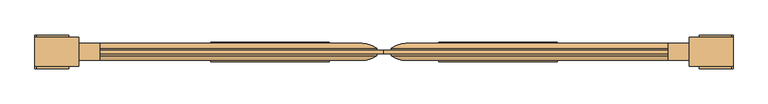
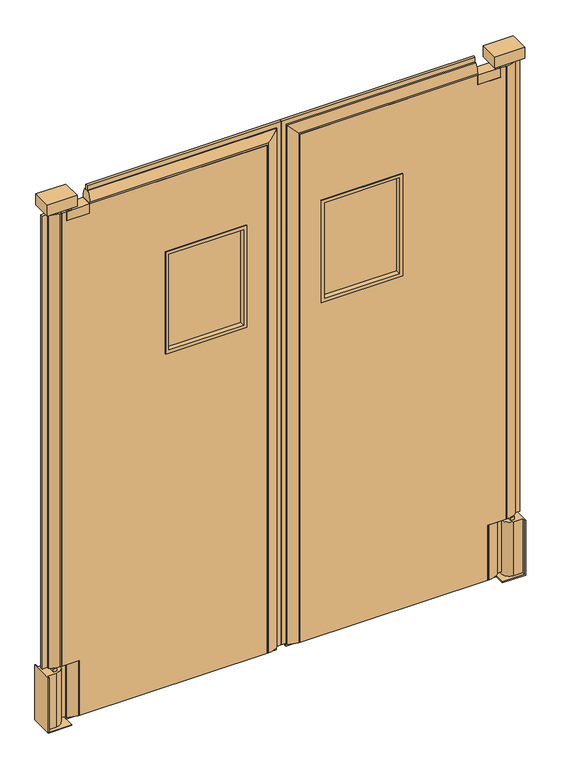
"""IFC4 building model written with IfcOpenShell, lengths in millimetres: door geometry."""

import ifcopenshell
import ifcopenshell.guid

model = None  # the IFC model being written
_history = None  # IfcOwnerHistory: only IFC2X3 demands one
_inside = {}  # id of a spatial element -> (the spatial element, [elements in it])
_under = {}  # id of a project, library or spatial element -> (it, [spatial elements below it])
_declared = {}  # id of a project -> (the project, [libraries it declares])
_typed = {}  # id of a type object -> (the type object, [elements of that type])
_made_of = {}  # id of a material, layer set ... -> (it, [elements and type objects made of it])


def new_model(schema):
    """Start an empty IFC model of exactly this schema.

    Asked for "IFC4X3", IfcOpenShell would pick the latest addendum, in which some entities
    have other attributes; the version numbers below select the first issue.
    IFC2X3 requires an IfcOwnerHistory on every rooted entity: one is made here for all.
    """
    global model, _history
    if schema == "IFC4X3":
        model = ifcopenshell.file(schema_version=(4, 3, 0, 0))
    else:
        model = ifcopenshell.file(schema=schema)
    _inside.clear()
    _under.clear()
    _declared.clear()
    _typed.clear()
    _made_of.clear()
    _history = None
    if model.schema == "IFC2X3":
        org = make("IfcOrganization", Name="unknown")
        user = make(
            "IfcPersonAndOrganization",
            ThePerson=make("IfcPerson", FamilyName="unknown"),
            TheOrganization=org,
        )
        app = make(
            "IfcApplication",
            ApplicationDeveloper=org,
            Version="unknown",
            ApplicationFullName="unknown",
            ApplicationIdentifier="unknown",
        )
        _history = make(
            "IfcOwnerHistory",
            OwningUser=user,
            OwningApplication=app,
            ChangeAction="ADDED",
            CreationDate=0,
        )
    return model


def make(cls, **values):
    """One entity of the class cls with the attributes given. An attribute that is None is left unset."""
    return model.create_entity(
        cls, **{name: value for name, value in values.items() if value is not None}
    )


def rooted(cls, **values):
    """An entity with a GlobalId (a new one), such as an element, a storey or a relation."""
    return make(cls, GlobalId=ifcopenshell.guid.new(), OwnerHistory=_history, **values)


def si_unit(unit_type, name, prefix=None):
    """IfcSIUnit, for example si_unit("LENGTHUNIT", "METRE", prefix="MILLI")."""
    return make("IfcSIUnit", UnitType=unit_type, Prefix=prefix, Name=name)


def assignment(units):
    """IfcUnitAssignment: the units of a project."""
    return None if units is None else make("IfcUnitAssignment", Units=units)


def point(xyz):
    """IfcCartesianPoint."""
    return None if xyz is None else make("IfcCartesianPoint", Coordinates=xyz)


def direction(xyz):
    """IfcDirection."""
    return None if xyz is None else make("IfcDirection", DirectionRatios=xyz)


def frame(location, z_axis=None, x_axis=None):
    """IfcAxis2Placement3D, a coordinate frame: its origin and axes. An axis left out is left unset."""
    return make(
        "IfcAxis2Placement3D",
        Location=point(location),
        Axis=direction(z_axis),
        RefDirection=direction(x_axis),
    )


def frame_2d(location, x_axis=None):
    """IfcAxis2Placement2D, a coordinate frame in the plane: its origin and x axis."""
    return make(
        "IfcAxis2Placement2D", Location=point(location), RefDirection=direction(x_axis)
    )


def origin():
    """The frame at (0, 0, 0) with its axes left unset."""
    return frame((0.0, 0.0, 0.0))


def origin_with_axes():
    """The frame at (0, 0, 0) with the z axis (0, 0, 1) and the x axis (1, 0, 0) written out."""
    return frame((0.0, 0.0, 0.0), z_axis=(0.0, 0.0, 1.0), x_axis=(1.0, 0.0, 0.0))


def place(relative_to, where):
    """IfcLocalPlacement: puts the frame where relative to a parent placement (None: the world)."""
    return make(
        "IfcLocalPlacement", PlacementRelTo=relative_to, RelativePlacement=where
    )


def context(
    kind, dimensions, precision=None, world=None, true_north=None, identifier=None
):
    """IfcGeometricRepresentationContext, for example the 3D "Model" context."""
    return make(
        "IfcGeometricRepresentationContext",
        ContextIdentifier=identifier,
        ContextType=kind,
        CoordinateSpaceDimension=dimensions,
        Precision=precision,
        WorldCoordinateSystem=world,
        TrueNorth=true_north,
    )


def project(units=None, contexts=None):
    """IfcProject with its units and contexts."""
    return rooted(
        "IfcProject",
        Name="project",
        RepresentationContexts=contexts,
        UnitsInContext=assignment(units),
    )


def spatial(cls, under=None, at=None, **own):
    """A site, building, storey or space (cls), placed at a placement, below another one or the project."""
    s = rooted(cls, ObjectPlacement=at, **own)
    if under is not None:
        _under.setdefault(under.id(), (under, []))[1].append(s)
    return s


def polyline(points):
    """IfcPolyline through the points."""
    return make("IfcPolyline", Points=[point(p) for p in points])


def circle_curve(where, radius):
    """IfcCircle in the frame where."""
    return make("IfcCircle", Position=where, Radius=radius)


def ellipse_curve(where, semi_axis1, semi_axis2):
    """IfcEllipse in the frame where."""
    return make(
        "IfcEllipse", Position=where, SemiAxis1=semi_axis1, SemiAxis2=semi_axis2
    )


def trimmed(basis, trim1, trim2, sense, master):
    """IfcTrimmedCurve: the piece of a basis curve between two trims."""
    return make(
        "IfcTrimmedCurve",
        BasisCurve=basis,
        Trim1=trim1,
        Trim2=trim2,
        SenseAgreement=sense,
        MasterRepresentation=master,
    )


def segment(curve, same_sense, transition):
    """IfcCompositeCurveSegment."""
    return make(
        "IfcCompositeCurveSegment",
        Transition=transition,
        SameSense=same_sense,
        ParentCurve=curve,
    )


def composite_curve(segments, self_intersect=None):
    """IfcCompositeCurve: segments joined end to end."""
    return make("IfcCompositeCurve", Segments=segments, SelfIntersect=self_intersect)


def outline(outer, holes=None, kind="AREA"):
    """IfcArbitraryClosedProfileDef: a profile drawn as a closed curve; with holes, ...WithVoids."""
    if holes is None:
        return make("IfcArbitraryClosedProfileDef", ProfileType=kind, OuterCurve=outer)
    return make(
        "IfcArbitraryProfileDefWithVoids",
        ProfileType=kind,
        OuterCurve=outer,
        InnerCurves=holes,
    )


def extrude(swept, where, along, depth):
    """IfcExtrudedAreaSolid: the profile swept, set in the frame where, extruded along a direction by depth."""
    return make(
        "IfcExtrudedAreaSolid",
        SweptArea=swept,
        Position=where,
        ExtrudedDirection=direction(along),
        Depth=depth,
    )


def shape(context_of_items, identifier, shape_type, items):
    """IfcShapeRepresentation: the items that make up one representation, for example the "Body"."""
    return make(
        "IfcShapeRepresentation",
        ContextOfItems=context_of_items,
        RepresentationIdentifier=identifier,
        RepresentationType=shape_type,
        Items=items,
    )


def source(mapping_origin, context_of_items, identifier, shape_type, items):
    """IfcRepresentationMap: a shape defined once, which mapped items show again and again."""
    return make(
        "IfcRepresentationMap",
        MappingOrigin=mapping_origin,
        MappedRepresentation=shape(context_of_items, identifier, shape_type, items),
    )


def transform(
    local_origin,
    x_axis=None,
    y_axis=None,
    z_axis=None,
    scale=None,
    scale2=None,
    scale3=None,
    uniform=True,
):
    """IfcCartesianTransformationOperator3D, or its non-uniform kind. x_axis, y_axis, z_axis: its Axis1, 2, 3."""
    if uniform:
        return make(
            "IfcCartesianTransformationOperator3D",
            Axis1=direction(x_axis),
            Axis2=direction(y_axis),
            LocalOrigin=point(local_origin),
            Scale=scale,
            Axis3=direction(z_axis),
        )
    return make(
        "IfcCartesianTransformationOperator3DnonUniform",
        Axis1=direction(x_axis),
        Axis2=direction(y_axis),
        LocalOrigin=point(local_origin),
        Scale=scale,
        Axis3=direction(z_axis),
        Scale2=scale2,
        Scale3=scale3,
    )


def mapped(mapping_source, mapping_target):
    """IfcMappedItem: shows the shape of a source again, moved by a transform."""
    return make(
        "IfcMappedItem", MappingSource=mapping_source, MappingTarget=mapping_target
    )


def made_of(thing, what):
    """Note that an element or type object is made of a material, layer set ...; save() writes the relation."""
    if what is not None:
        _made_of.setdefault(what.id(), (what, []))[1].append(thing)
    return thing


def element(
    cls,
    number,
    at=None,
    inside=None,
    cuts=None,
    type_object=None,
    material=None,
    context=None,
    identifier="Body",
    shape_type=None,
    held_by="IfcProductDefinitionShape",
    body=None,
    shapes=None,
    **own,
):
    """One element of the class cls, such as IfcWall. Its Tag is "e" and its number.

    at: its placement. inside: the storey or other place that contains it. cuts: it is an
    opening in that element (IfcRelVoidsElement). A single representation is given by context,
    identifier, shape_type and body (its items); several are given by shapes. held_by: the class
    of the entity that holds the representations. save() writes the other relations.
    """
    e = rooted(cls, Tag="e%d" % number, ObjectPlacement=at, **own)
    if body is not None:
        shapes = [shape(context, identifier, shape_type, body)]
    if shapes is not None:
        e.Representation = make(held_by, Representations=shapes)
    if inside is not None:
        _inside.setdefault(inside.id(), (inside, []))[1].append(e)
    if cuts is not None:
        rooted(
            "IfcRelVoidsElement", RelatingBuildingElement=cuts, RelatedOpeningElement=e
        )
    if type_object is not None:
        _typed.setdefault(type_object.id(), (type_object, []))[1].append(e)
    return made_of(e, material)


def aggregate(whole, parts):
    """IfcRelAggregates: a whole, such as a stair, and the parts it consists of."""
    return rooted("IfcRelAggregates", RelatingObject=whole, RelatedObjects=parts)


def save(model, path):
    """Write the relations noted so far, then the file.

    IfcRelAggregates (storeys below a building ...), IfcRelContainedInSpatialStructure (elements
    in a storey), IfcRelDefinesByType, IfcRelAssociatesMaterial and IfcRelDeclares: one each for
    every whole, place, type object, material and project.
    """
    for whole, parts in _under.values():
        aggregate(whole, parts)
    for where, things in _inside.values():
        rooted(
            "IfcRelContainedInSpatialStructure",
            RelatedElements=things,
            RelatingStructure=where,
        )
    for kind, things in _typed.values():
        rooted("IfcRelDefinesByType", RelatedObjects=things, RelatingType=kind)
    for what, things in _made_of.values():
        rooted("IfcRelAssociatesMaterial", RelatedObjects=things, RelatingMaterial=what)
    for by, libraries in _declared.values():
        rooted("IfcRelDeclares", RelatingContext=by, RelatedDefinitions=libraries)
    model.write(path)


def plane_surface(at):
    """IfcPlane: the flat surface through the origin of the frame at, square to its z axis."""
    return make("IfcPlane", Position=at)


def cylinder_surface(at, radius):
    """IfcCylindricalSurface: all points at the distance radius from the z axis of the frame at."""
    return make("IfcCylindricalSurface", Position=at, Radius=radius)


def advanced_brep(points, edges, surfaces, faces):
    """IfcAdvancedBrep: a solid bounded by faces that lie on surfaces and meet in shared edges.

    An edge is (start, end): straight between two places in points (the first is 0);
    or (start, end, curve); or (start, end, curve, False) where it runs against its curve.
    A face is (place in surfaces, loops), or (place, loops, False) where it looks against
    its surface's normal. A loop lists edges by number (the first is 1), with a minus sign
    where the edge is run from its end to its start. The first loop is the outer one.
    """
    corners = [point(p) for p in points]
    vertices = [make("IfcVertexPoint", VertexGeometry=c) for c in corners]
    made = []
    for start, end, *more in edges:
        made.append(
            make(
                "IfcEdgeCurve",
                EdgeStart=vertices[start],
                EdgeEnd=vertices[end],
                EdgeGeometry=more[0] if more else make("IfcPolyline", Points=[corners[start], corners[end]]),
                SameSense=more[1] if len(more) > 1 else True,
            )
        )
    hull = []
    for where, loops, *sense in faces:
        bounds = []
        for j, loop in enumerate(loops):
            ring = [make("IfcOrientedEdge", EdgeElement=made[abs(k) - 1], Orientation=k > 0) for k in loop]
            bounds.append(
                make(
                    "IfcFaceOuterBound" if j == 0 else "IfcFaceBound",
                    Bound=make("IfcEdgeLoop", EdgeList=ring),
                    Orientation=True,
                )
            )
        hull.append(make("IfcAdvancedFace", Bounds=bounds, FaceSurface=surfaces[where], SameSense=sense[0] if sense else True))
    return make("IfcAdvancedBrep", Outer=make("IfcClosedShell", CfsFaces=hull))


def door_6563ba51(model_context):
    return source(origin(), model_context, "Body", "SolidModel", [
        extrude(outline(polyline([(1788.4656968, -868.9910438), (1788.4656968, -856.2910438), (2074.2156968, -856.2910438), (2074.2156968, -868.9910438), (1788.4656968, -868.9910438)])), frame((0.0, 0.0, 1374.775), z_axis=(0.0, 0.0, 1.0), x_axis=(1.0, 0.0, 0.0)), (0.0, 0.0, 1.0), 387.35),
        extrude(outline(polyline([(1774.825, 1775.7656968), (1362.075, 1775.7656968), (1362.075, 2086.9156968), (1774.825, 2086.9156968), (1774.825, 1775.7656968)]), holes=[polyline([(1374.775, 1788.4656968), (1762.125, 1788.4656968), (1762.125, 2074.2156968), (1374.775, 2074.2156968), (1374.775, 1788.4656968)])]), frame((0.0, -888.0410438, 0.0), z_axis=(0.0, 1.0, 0.0), x_axis=(0.0, 0.0, 1.0)), (0.0, 0.0, 1.0), 50.8),
        extrude(outline(polyline([(2070.1, 2464.7406968), (2032.0, 2464.7406968), (2032.0, 2375.8406968), (2070.1, 2375.8406968), (2070.1, 1696.3906968), (12.7, 1696.3906968), (12.7, 2413.9406968), (234.95, 2413.9406968), (234.95, 2483.7906968), (2070.1, 2483.7906968), (2070.1, 2464.7406968)]), holes=[polyline([(1765.3, 1785.2906968), (1765.3, 2077.3906968), (1371.6, 2077.3906968), (1371.6, 1785.2906968), (1765.3, 1785.2906968)])]), frame((0.0, -884.8660438, 0.0), z_axis=(0.0, 1.0, 0.0), x_axis=(0.0, 0.0, 1.0)), (0.0, 0.0, 1.0), 44.45),
        extrude(outline(polyline([(2133.6, 2375.8406968), (2133.6, 1632.8906968), (12.7, 1632.8906968), (12.7, 1651.9406968), (2114.55, 1651.9406968), (2114.55, 2375.8406968), (2133.6, 2375.8406968)])), frame((0.0, -867.4035438, 0.0), z_axis=(0.0, 1.0, 0.0), x_axis=(0.0, 0.0, 1.0)), (0.0, 0.0, 1.0), 9.525),
        extrude(outline(polyline([(1651.9406968, -857.8785438), (2458.3906968, -857.8785438), (2458.3906968, -867.4035438), (1651.9406968, -867.4035438), (1651.9406968, -857.8785438)])), origin_with_axes(), (0.0, 0.0, 1.0), 12.7),
        extrude(outline(polyline([(2477.4406968, -857.8785438), (2477.4406968, -867.4035438), (2458.3906968, -867.4035438), (2458.3906968, -857.8785438), (2477.4406968, -857.8785438)])), frame((0.0, 0.0, 12.7), z_axis=(0.0, 0.0, 1.0), x_axis=(1.0, 0.0, 0.0)), (0.0, 0.0, 1.0), 222.25),
        extrude(outline(polyline([(2547.2906968, -857.8785438), (2547.2906968, -867.4035438), (2528.2406968, -867.4035438), (2528.2406968, -857.8785438), (2547.2906968, -857.8785438)])), frame((0.0, 0.0, 234.95), z_axis=(0.0, 0.0, 1.0), x_axis=(1.0, 0.0, 0.0)), (0.0, 0.0, 1.0), 1835.15),
        advanced_brep(
        [(1696.3906968, -884.8660438, 12.7), (1690.0406968, -884.8660438, 12.7), (1651.9406968, -872.1660438, 12.7), (1651.9406968, -853.1160438, 12.7), (1690.0406968, -840.4160438, 12.7), (1696.3906968, -840.4160438, 12.7), (1696.3906968, -840.4160438, 2070.1), (1696.3906968, -884.8660438, 2070.1), (1690.0406968, -840.4160438, 2076.45), (2375.8406968, -840.4160438, 2076.45), (2375.8406968, -840.4160438, 2070.1), (1651.9406968, -853.1160438, 2114.55), (1651.9406968, -872.1660438, 2114.55), (1690.0406968, -884.8660438, 2076.45), (2375.8406968, -884.8660438, 2070.1), (2375.8406968, -884.8660438, 2076.45), (2375.8406968, -853.1160438, 2114.55), (2375.8406968, -872.1660438, 2114.55)],
        [
            (0, 1),
            (1, 2, circle_curve(frame((1690.0406968, -821.3660439, 12.7), z_axis=(0.0, 0.0, -1.0), x_axis=(1.0, 0.0, 0.0)), 63.5)),
            (2, 3),
            (3, 4, circle_curve(frame((1690.0406968, -903.9160438, 12.7), z_axis=(0.0, 0.0, -1.0), x_axis=(1.0, 0.0, 0.0)), 63.5)),
            (4, 5),
            (5, 0),
            (5, 6),
            (6, 7),
            (7, 0),
            (4, 8),
            (8, 9),
            (9, 10),
            (10, 6),
            (3, 11),
            (11, 8, ellipse_curve(frame((1690.0406968, -903.9160438, 2076.45), z_axis=(-0.7071067811865475, 0.0, -0.7071067811865475), x_axis=(0.7071067811865474, 0.0, -0.7071067811865476)), 89.8025612, 63.5)),
            (2, 12),
            (12, 11),
            (1, 13),
            (13, 12, ellipse_curve(frame((1690.0406968, -821.3660439, 2076.45), z_axis=(-0.7071067811865475, 0.0, -0.7071067811865475), x_axis=(0.7071067811865474, 0.0, -0.7071067811865476)), 89.8025612, 63.5)),
            (7, 14),
            (14, 15),
            (15, 13),
            (14, 10),
            (9, 16, circle_curve(frame((2375.8406968, -903.9160438, 2076.45), z_axis=(1.0, 0.0, 0.0), x_axis=(0.0, 0.0, -1.0)), 63.5)),
            (16, 17),
            (17, 15, circle_curve(frame((2375.8406968, -821.3660439, 2076.45), z_axis=(1.0, 0.0, 0.0), x_axis=(0.0, 0.0, -1.0)), 63.5)),
            (11, 16),
            (12, 17),
        ],
        [
            plane_surface(frame((1696.3906968, -862.6410438, 12.7), z_axis=(0.0, 0.0, -1.0), x_axis=(0.0, -1.0, 0.0))),
            plane_surface(frame((1696.3906968, -884.8660438, 12.7), z_axis=(1.0, 0.0, 0.0), x_axis=(0.0, 0.0, 1.0))),
            plane_surface(frame((1696.3906968, -840.4160438, 12.7), z_axis=(0.0, 1.0, 0.0), x_axis=(0.0, 0.0, 1.0))),
            cylinder_surface(frame((1690.0406968, -903.9160438, 12.7), z_axis=(0.0, 0.0, -1.0), x_axis=(1.0, 0.0, 0.0)), 63.5),
            plane_surface(frame((1651.9406968, -853.1160438, 12.7), z_axis=(-1.0, 0.0, 0.0), x_axis=(0.0, 0.0, 1.0))),
            cylinder_surface(frame((1690.0406968, -821.3660439, 12.7), z_axis=(0.0, 0.0, -1.0), x_axis=(1.0, 0.0, 0.0)), 63.5),
            plane_surface(frame((1690.0406968, -884.8660438, 12.7), z_axis=(0.0, -1.0, 0.0), x_axis=(0.0, 0.0, 1.0))),
            plane_surface(frame((2375.8406968, -862.6410438, 2070.1), z_axis=(1.0, 0.0, 0.0), x_axis=(0.0, -1.0, 0.0))),
            plane_surface(frame((1696.3906968, -884.8660438, 2070.1), z_axis=(0.0, 0.0, -1.0), x_axis=(1.0, 0.0, 0.0))),
            cylinder_surface(frame((1696.3906968, -903.9160438, 2076.45), z_axis=(-1.0, 0.0, 0.0), x_axis=(0.0, 0.0, -1.0)), 63.5),
            plane_surface(frame((1651.9406968, -853.1160438, 2114.55), z_axis=(0.0, 0.0, 1.0), x_axis=(1.0, 0.0, 0.0))),
            cylinder_surface(frame((1696.3906968, -821.3660439, 2076.45), z_axis=(-1.0, 0.0, 0.0), x_axis=(0.0, 0.0, -1.0)), 63.5),
        ],
        [
            (0, [[1, 2, 3, 4, 5, 6]]),
            (1, [[7, 8, 9, -6]]),
            (2, [[10, 11, 12, 13, -7, -5]]),
            (3, [[14, 15, -10, -4]]),
            (4, [[16, 17, -14, -3]]),
            (5, [[18, 19, -16, -2]]),
            (6, [[-9, 20, 21, 22, -18, -1]]),
            (7, [[23, -12, 24, 25, 26, -21]]),
            (8, [[-13, -23, -20, -8]]),
            (9, [[27, -24, -11, -15]]),
            (10, [[28, -25, -27, -17]]),
            (11, [[-22, -26, -28, -19]]),
        ],
    ),
        extrude(outline(composite_curve([segment(polyline([(2458.3906968, -853.1160438), (2458.3906968, -872.1660438)]), True, "CONTINUOUS"), segment(trimmed(circle_curve(frame_2d((2420.2906968, -821.3660439)), 63.5), [point((2458.3906968, -872.1660438))], [point((2420.2906968, -884.8660438))], False, "CARTESIAN"), True, "CONTINUOUS"), segment(polyline([(2420.2906968, -884.8660438), (2413.9406968, -884.8660438), (2413.9406968, -840.4160438), (2420.2906968, -840.4160438)]), True, "CONTINUOUS"), segment(trimmed(circle_curve(frame_2d((2420.2906968, -903.9160438)), 63.5), [point((2420.2906968, -840.4160438))], [point((2458.3906968, -853.1160438))], False, "CARTESIAN"), True, "CONTINUOUS")], self_intersect=False)), frame((0.0, 0.0, 12.7), z_axis=(0.0, 0.0, 1.0), x_axis=(1.0, 0.0, 0.0)), (0.0, 0.0, 1.0), 222.25),
        extrude(outline(composite_curve([segment(polyline([(2528.2406968, -853.1160438), (2528.2406968, -872.1660438)]), True, "CONTINUOUS"), segment(trimmed(circle_curve(frame_2d((2490.1406968, -821.3660439)), 63.5), [point((2528.2406968, -872.1660438))], [point((2490.1406968, -884.8660438))], False, "CARTESIAN"), True, "CONTINUOUS"), segment(polyline([(2490.1406968, -884.8660438), (2483.7906968, -884.8660438), (2483.7906968, -840.4160438), (2490.1406968, -840.4160438)]), True, "CONTINUOUS"), segment(trimmed(circle_curve(frame_2d((2490.1406968, -903.9160438)), 63.5), [point((2490.1406968, -840.4160438))], [point((2528.2406968, -853.1160438))], False, "CARTESIAN"), True, "CONTINUOUS")], self_intersect=False)), frame((0.0, 0.0, 234.95), z_axis=(0.0, 0.0, 1.0), x_axis=(1.0, 0.0, 0.0)), (0.0, 0.0, 1.0), 1835.15),
        extrude(outline(polyline([(2445.6906968, -884.8660438), (2445.6906968, -840.4160438), (2458.3906968, -840.4160438), (2458.3906968, -884.8660438), (2445.6906968, -884.8660438)])), frame((0.0, 0.0, 2070.1), z_axis=(0.0, 0.0, 1.0), x_axis=(1.0, 0.0, 0.0)), (0.0, 0.0, 1.0), 19.05),
        extrude(outline(polyline([(2502.8406968, -884.8660438), (2502.8406968, -840.4160438), (2515.5406968, -840.4160438), (2515.5406968, -884.8660438), (2502.8406968, -884.8660438)])), frame((0.0, 0.0, 222.25), z_axis=(0.0, 0.0, 1.0), x_axis=(1.0, 0.0, 0.0)), (0.0, 0.0, 1.0), 12.7),
        extrude(outline(polyline([(2375.8406968, -884.8660438), (2375.8406968, -840.4160438), (2464.7406968, -840.4160438), (2464.7406968, -884.8660438), (2375.8406968, -884.8660438)])), frame((0.0, 0.0, 2032.0), z_axis=(0.0, 0.0, 1.0), x_axis=(1.0, 0.0, 0.0)), (0.0, 0.0, 1.0), 38.1),
        extrude(outline(polyline([(2432.9906968, -900.7410438), (2432.9906968, -824.5410438), (2547.2906968, -824.5410438), (2547.2906968, -900.7410438), (2432.9906968, -900.7410438)])), frame((0.0, 0.0, 2089.15), z_axis=(0.0, 0.0, 1.0), x_axis=(1.0, 0.0, 0.0)), (0.0, 0.0, 1.0), 44.45),
        advanced_brep(
        [(2458.3906968, -907.0910438, 0.0), (2547.2906968, -907.0910438, 0.0), (2547.2906968, -907.0910438, 222.25), (2544.1156968, -907.0910438, 222.25), (2544.1156968, -907.0910438, 3.175), (2458.3906968, -907.0910438, 3.175), (2547.2906968, -818.1910438, 222.25), (2547.2906968, -818.1910438, 0.0), (2458.3906968, -818.1910438, 0.0), (2458.3906968, -818.1910438, 3.175), (2544.1156968, -818.1910438, 3.175), (2544.1156968, -818.1910438, 222.25), (2544.1156968, -894.3910438, 3.175), (2509.1906968, -894.3910438, 3.175), (2509.1906968, -830.8910438, 3.175), (2544.1156968, -830.8910438, 3.175), (2544.1156968, -830.8910438, 222.25), (2509.1906968, -830.8910438, 222.25), (2509.1906968, -894.3910438, 222.25), (2544.1156968, -894.3910438, 222.25)],
        [
            (0, 1),
            (1, 2),
            (2, 3),
            (3, 4),
            (4, 5),
            (5, 0),
            (6, 7),
            (7, 8),
            (8, 9),
            (9, 10),
            (10, 11),
            (11, 6),
            (5, 9),
            (8, 0),
            (4, 12),
            (12, 13),
            (13, 14, circle_curve(frame((2509.1906968, -862.6410438, 3.175), z_axis=(0.0, 0.0, -1.0), x_axis=(-1.0, 0.0, 0.0)), 31.75)),
            (14, 15),
            (15, 10),
            (1, 7),
            (6, 2),
            (11, 16),
            (16, 17),
            (17, 18, circle_curve(frame((2509.1906968, -862.6410438, 222.25), z_axis=(0.0, 0.0, 1.0), x_axis=(-1.0, 0.0, 0.0)), 31.75)),
            (18, 19),
            (19, 3),
            (19, 12),
            (18, 13),
            (17, 14),
            (16, 15),
        ],
        [
            plane_surface(frame((2458.3906968, -907.0910438, 0.0), z_axis=(0.0, -1.0, 0.0), x_axis=(0.0, 0.0, 1.0))),
            plane_surface(frame((2458.3906968, -818.1910438, 0.0), z_axis=(0.0, 1.0, 0.0), x_axis=(0.0, 0.0, -1.0))),
            plane_surface(frame((2458.3906968, -907.0910438, 0.0), z_axis=(-1.0, 0.0, 0.0), x_axis=(0.0, 1.0, 0.0))),
            plane_surface(frame((2458.3906968, -907.0910438, 3.175), z_axis=(0.0, 0.0, 1.0), x_axis=(0.0, 1.0, 0.0))),
            plane_surface(frame((2547.2906968, -907.0910438, 3.175), z_axis=(1.0, 0.0, 0.0), x_axis=(0.0, 1.0, 0.0))),
            plane_surface(frame((2547.2906968, -907.0910438, 0.0), z_axis=(0.0, 0.0, -1.0), x_axis=(0.0, 1.0, 0.0))),
            plane_surface(frame((2547.2906968, -818.1910438, 222.25), z_axis=(0.0, 0.0, 1.0), x_axis=(1.0, 0.0, 0.0))),
            plane_surface(frame((2544.1156968, -907.0910438, 222.25), z_axis=(-1.0, 0.0, 0.0), x_axis=(0.0, 0.0, -1.0))),
            plane_surface(frame((2544.1156968, -894.3910438, 222.25), z_axis=(0.0, -1.0, 0.0), x_axis=(0.0, 0.0, -1.0))),
            cylinder_surface(frame((2509.1906968, -862.6410438, 0.0), z_axis=(0.0, 0.0, 1.0), x_axis=(-1.0, 0.0, 0.0)), 31.75),
            plane_surface(frame((2509.1906968, -830.8910438, 222.25), z_axis=(0.0, 1.0, 0.0), x_axis=(0.0, 0.0, -1.0))),
            plane_surface(frame((2544.1156968, -830.8910438, 222.25), z_axis=(-1.0, 0.0, 0.0), x_axis=(0.0, 0.0, -1.0))),
        ],
        [
            (0, [[1, 2, 3, 4, 5, 6]]),
            (1, [[7, 8, 9, 10, 11, 12]]),
            (2, [[13, -9, 14, -6]]),
            (3, [[-5, 15, 16, 17, 18, 19, -10, -13]]),
            (4, [[20, -7, 21, -2]]),
            (5, [[-20, -1, -14, -8]]),
            (6, [[22, 23, 24, 25, 26, -3, -21, -12]]),
            (7, [[27, -15, -4, -26]]),
            (8, [[28, -16, -27, -25]]),
            (9, [[29, -17, -28, -24]]),
            (10, [[30, -18, -29, -23]]),
            (11, [[-11, -19, -30, -22]]),
        ],
    ),
        extrude(outline(polyline([(1477.3156968, -868.9910438), (1191.5656968, -868.9910438), (1191.5656968, -856.2910438), (1477.3156968, -856.2910438), (1477.3156968, -868.9910438)])), frame((0.0, 0.0, 1374.775), z_axis=(0.0, 0.0, 1.0), x_axis=(1.0, 0.0, 0.0)), (0.0, 0.0, 1.0), 387.35),
        extrude(outline(polyline([(1774.825, 1490.0156968), (1774.825, 1178.8656968), (1362.075, 1178.8656968), (1362.075, 1490.0156968), (1774.825, 1490.0156968)]), holes=[polyline([(1374.775, 1477.3156968), (1374.775, 1191.5656968), (1762.125, 1191.5656968), (1762.125, 1477.3156968), (1374.775, 1477.3156968)])]), frame((0.0, -888.0410438, 0.0), z_axis=(0.0, 1.0, 0.0), x_axis=(0.0, 0.0, 1.0)), (0.0, 0.0, 1.0), 50.8),
        extrude(outline(polyline([(2070.1, 801.0406968), (2070.1, 781.9906968), (234.95, 781.9906968), (234.95, 851.8406968), (12.7, 851.8406968), (12.7, 1569.3906968), (2070.1, 1569.3906968), (2070.1, 889.9406968), (2032.0, 889.9406968), (2032.0, 801.0406968), (2070.1, 801.0406968)]), holes=[polyline([(1765.3, 1480.4906968), (1371.6, 1480.4906968), (1371.6, 1188.3906968), (1765.3, 1188.3906968), (1765.3, 1480.4906968)])]), frame((0.0, -884.8660438, 0.0), z_axis=(0.0, 1.0, 0.0), x_axis=(0.0, 0.0, 1.0)), (0.0, 0.0, 1.0), 44.45),
        extrude(outline(polyline([(2133.6, 889.9406968), (2114.55, 889.9406968), (2114.55, 1613.8406968), (12.7, 1613.8406968), (12.7, 1632.8906968), (2133.6, 1632.8906968), (2133.6, 889.9406968)])), frame((0.0, -867.4035438, 0.0), z_axis=(0.0, 1.0, 0.0), x_axis=(0.0, 0.0, 1.0)), (0.0, 0.0, 1.0), 9.525),
        extrude(outline(polyline([(1613.8406968, -857.8785438), (1613.8406968, -867.4035438), (807.3906968, -867.4035438), (807.3906968, -857.8785438), (1613.8406968, -857.8785438)])), origin_with_axes(), (0.0, 0.0, 1.0), 12.7),
        extrude(outline(polyline([(788.3406968, -857.8785438), (807.3906968, -857.8785438), (807.3906968, -867.4035438), (788.3406968, -867.4035438), (788.3406968, -857.8785438)])), frame((0.0, 0.0, 12.7), z_axis=(0.0, 0.0, 1.0), x_axis=(1.0, 0.0, 0.0)), (0.0, 0.0, 1.0), 222.25),
        extrude(outline(polyline([(718.4906968, -857.8785438), (737.5406968, -857.8785438), (737.5406968, -867.4035438), (718.4906968, -867.4035438), (718.4906968, -857.8785438)])), frame((0.0, 0.0, 234.95), z_axis=(0.0, 0.0, 1.0), x_axis=(1.0, 0.0, 0.0)), (0.0, 0.0, 1.0), 1835.15),
        advanced_brep(
        [(1569.3906968, -884.8660438, 12.7), (1569.3906968, -840.4160438, 12.7), (1575.7406968, -840.4160438, 12.7), (1613.8406968, -853.1160438, 12.7), (1613.8406968, -872.1660438, 12.7), (1575.7406968, -884.8660438, 12.7), (1569.3906968, -884.8660438, 2070.1), (1569.3906968, -840.4160438, 2070.1), (889.9406968, -840.4160438, 2070.1), (889.9406968, -840.4160438, 2076.45), (1575.7406968, -840.4160438, 2076.45), (1613.8406968, -853.1160438, 2114.55), (1613.8406968, -872.1660438, 2114.55), (1575.7406968, -884.8660438, 2076.45), (889.9406968, -884.8660438, 2076.45), (889.9406968, -884.8660438, 2070.1), (889.9406968, -872.1660438, 2114.55), (889.9406968, -853.1160438, 2114.55)],
        [
            (0, 1),
            (1, 2),
            (2, 3, circle_curve(frame((1575.7406968, -903.9160438, 12.7), z_axis=(0.0, 0.0, -1.0), x_axis=(-1.0, 0.0, 0.0)), 63.5)),
            (3, 4),
            (4, 5, circle_curve(frame((1575.7406968, -821.3660439, 12.7), z_axis=(0.0, 0.0, -1.0), x_axis=(-1.0, 0.0, 0.0)), 63.5)),
            (5, 0),
            (0, 6),
            (6, 7),
            (7, 1),
            (7, 8),
            (8, 9),
            (9, 10),
            (10, 2),
            (10, 11, ellipse_curve(frame((1575.7406968, -903.9160438, 2076.45), z_axis=(0.7071067811865475, 0.0, -0.7071067811865475), x_axis=(-0.7071067811865474, 0.0, -0.7071067811865476)), 89.8025612, 63.5)),
            (11, 3),
            (11, 12),
            (12, 4),
            (12, 13, ellipse_curve(frame((1575.7406968, -821.3660439, 2076.45), z_axis=(0.7071067811865475, 0.0, -0.7071067811865475), x_axis=(-0.7071067811865474, 0.0, -0.7071067811865476)), 89.8025612, 63.5)),
            (13, 5),
            (13, 14),
            (14, 15),
            (15, 6),
            (14, 16, circle_curve(frame((889.9406968, -821.3660439, 2076.45), z_axis=(-1.0, 0.0, 0.0), x_axis=(0.0, 0.0, -1.0)), 63.5)),
            (16, 17),
            (17, 9, circle_curve(frame((889.9406968, -903.9160438, 2076.45), z_axis=(-1.0, 0.0, 0.0), x_axis=(0.0, 0.0, -1.0)), 63.5)),
            (8, 15),
            (17, 11),
            (16, 12),
        ],
        [
            plane_surface(frame((1569.3906968, -862.6410438, 12.7), z_axis=(0.0, 0.0, -1.0), x_axis=(0.0, -1.0, 0.0))),
            plane_surface(frame((1569.3906968, -884.8660438, 12.7), z_axis=(-1.0, 0.0, 0.0), x_axis=(0.0, 0.0, 1.0))),
            plane_surface(frame((1569.3906968, -840.4160438, 12.7), z_axis=(0.0, 1.0, 0.0), x_axis=(0.0, 0.0, 1.0))),
            cylinder_surface(frame((1575.7406968, -903.9160438, 12.7), z_axis=(0.0, 0.0, -1.0), x_axis=(-1.0, 0.0, 0.0)), 63.5),
            plane_surface(frame((1613.8406968, -853.1160438, 12.7), z_axis=(1.0, 0.0, 0.0), x_axis=(0.0, 0.0, 1.0))),
            cylinder_surface(frame((1575.7406968, -821.3660439, 12.7), z_axis=(0.0, 0.0, -1.0), x_axis=(-1.0, 0.0, 0.0)), 63.5),
            plane_surface(frame((1575.7406968, -884.8660438, 12.7), z_axis=(0.0, -1.0, 0.0), x_axis=(0.0, 0.0, 1.0))),
            plane_surface(frame((889.9406968, -862.6410438, 2070.1), z_axis=(-1.0, 0.0, 0.0), x_axis=(0.0, -1.0, 0.0))),
            plane_surface(frame((1569.3906968, -884.8660438, 2070.1), z_axis=(0.0, 0.0, -1.0), x_axis=(-1.0, 0.0, 0.0))),
            cylinder_surface(frame((1569.3906968, -903.9160438, 2076.45), z_axis=(1.0, 0.0, 0.0), x_axis=(0.0, 0.0, -1.0)), 63.5),
            plane_surface(frame((1613.8406968, -853.1160438, 2114.55), z_axis=(0.0, 0.0, 1.0), x_axis=(-1.0, 0.0, 0.0))),
            cylinder_surface(frame((1569.3906968, -821.3660439, 2076.45), z_axis=(1.0, 0.0, 0.0), x_axis=(0.0, 0.0, -1.0)), 63.5),
        ],
        [
            (0, [[1, 2, 3, 4, 5, 6]]),
            (1, [[-1, 7, 8, 9]]),
            (2, [[-2, -9, 10, 11, 12, 13]]),
            (3, [[-3, -13, 14, 15]]),
            (4, [[-4, -15, 16, 17]]),
            (5, [[-5, -17, 18, 19]]),
            (6, [[-6, -19, 20, 21, 22, -7]]),
            (7, [[-21, 23, 24, 25, -11, 26]]),
            (8, [[-8, -22, -26, -10]]),
            (9, [[-14, -12, -25, 27]]),
            (10, [[-16, -27, -24, 28]]),
            (11, [[-18, -28, -23, -20]]),
        ],
    ),
        extrude(outline(composite_curve([segment(trimmed(circle_curve(frame_2d((845.4906968, -903.9160438)), 63.5), [point((807.3906968, -853.1160438))], [point((845.4906968, -840.4160438))], False, "CARTESIAN"), True, "CONTINUOUS"), segment(polyline([(845.4906968, -840.4160438), (851.8406968, -840.4160438), (851.8406968, -884.8660438), (845.4906968, -884.8660438)]), True, "CONTINUOUS"), segment(trimmed(circle_curve(frame_2d((845.4906968, -821.3660439)), 63.5), [point((845.4906968, -884.8660438))], [point((807.3906968, -872.1660438))], False, "CARTESIAN"), True, "CONTINUOUS"), segment(polyline([(807.3906968, -872.1660438), (807.3906968, -853.1160438)]), True, "CONTINUOUS")], self_intersect=False)), frame((0.0, 0.0, 12.7), z_axis=(0.0, 0.0, 1.0), x_axis=(1.0, 0.0, 0.0)), (0.0, 0.0, 1.0), 222.25),
        extrude(outline(composite_curve([segment(trimmed(circle_curve(frame_2d((775.6406968, -903.9160438)), 63.5), [point((737.5406968, -853.1160438))], [point((775.6406968, -840.4160438))], False, "CARTESIAN"), True, "CONTINUOUS"), segment(polyline([(775.6406968, -840.4160438), (781.9906968, -840.4160438), (781.9906968, -884.8660438), (775.6406968, -884.8660438)]), True, "CONTINUOUS"), segment(trimmed(circle_curve(frame_2d((775.6406968, -821.3660439)), 63.5), [point((775.6406968, -884.8660438))], [point((737.5406968, -872.1660438))], False, "CARTESIAN"), True, "CONTINUOUS"), segment(polyline([(737.5406968, -872.1660438), (737.5406968, -853.1160438)]), True, "CONTINUOUS")], self_intersect=False)), frame((0.0, 0.0, 234.95), z_axis=(0.0, 0.0, 1.0), x_axis=(1.0, 0.0, 0.0)), (0.0, 0.0, 1.0), 1835.15),
        extrude(outline(polyline([(820.0906968, -884.8660438), (807.3906968, -884.8660438), (807.3906968, -840.4160438), (820.0906968, -840.4160438), (820.0906968, -884.8660438)])), frame((0.0, 0.0, 2070.1), z_axis=(0.0, 0.0, 1.0), x_axis=(1.0, 0.0, 0.0)), (0.0, 0.0, 1.0), 19.05),
        extrude(outline(polyline([(762.9406968, -884.8660438), (750.2406968, -884.8660438), (750.2406968, -840.4160438), (762.9406968, -840.4160438), (762.9406968, -884.8660438)])), frame((0.0, 0.0, 222.25), z_axis=(0.0, 0.0, 1.0), x_axis=(1.0, 0.0, 0.0)), (0.0, 0.0, 1.0), 12.7),
        extrude(outline(polyline([(889.9406968, -884.8660438), (801.0406968, -884.8660438), (801.0406968, -840.4160438), (889.9406968, -840.4160438), (889.9406968, -884.8660438)])), frame((0.0, 0.0, 2032.0), z_axis=(0.0, 0.0, 1.0), x_axis=(1.0, 0.0, 0.0)), (0.0, 0.0, 1.0), 38.1),
        extrude(outline(polyline([(832.7906968, -900.7410438), (718.4906968, -900.7410438), (718.4906968, -824.5410438), (832.7906968, -824.5410438), (832.7906968, -900.7410438)])), frame((0.0, 0.0, 2089.15), z_axis=(0.0, 0.0, 1.0), x_axis=(1.0, 0.0, 0.0)), (0.0, 0.0, 1.0), 44.45),
        advanced_brep(
        [(807.3906968, -907.0910438, 0.0), (807.3906968, -907.0910438, 3.175), (721.6656968, -907.0910438, 3.175), (721.6656968, -907.0910438, 222.25), (718.4906968, -907.0910438, 222.25), (718.4906968, -907.0910438, 0.0), (718.4906968, -818.1910438, 222.25), (721.6656968, -818.1910438, 222.25), (721.6656968, -818.1910438, 3.175), (807.3906968, -818.1910438, 3.175), (807.3906968, -818.1910438, 0.0), (718.4906968, -818.1910438, 0.0), (721.6656968, -830.8910438, 3.175), (756.5906968, -830.8910438, 3.175), (756.5906968, -894.3910438, 3.175), (721.6656968, -894.3910438, 3.175), (721.6656968, -894.3910438, 222.25), (756.5906968, -894.3910438, 222.25), (756.5906968, -830.8910438, 222.25), (721.6656968, -830.8910438, 222.25)],
        [
            (0, 1),
            (1, 2),
            (2, 3),
            (3, 4),
            (4, 5),
            (5, 0),
            (6, 7),
            (7, 8),
            (8, 9),
            (9, 10),
            (10, 11),
            (11, 6),
            (0, 10),
            (9, 1),
            (8, 12),
            (12, 13),
            (13, 14, circle_curve(frame((756.5906968, -862.6410438, 3.175), z_axis=(0.0, 0.0, -1.0), x_axis=(1.0, 0.0, 0.0)), 31.75)),
            (14, 15),
            (15, 2),
            (4, 6),
            (11, 5),
            (3, 16),
            (16, 17),
            (17, 18, circle_curve(frame((756.5906968, -862.6410438, 222.25), z_axis=(0.0, 0.0, 1.0), x_axis=(1.0, 0.0, 0.0)), 31.75)),
            (18, 19),
            (19, 7),
            (15, 16),
            (14, 17),
            (13, 18),
            (12, 19),
        ],
        [
            plane_surface(frame((807.3906968, -907.0910438, 0.0), z_axis=(0.0, -1.0, 0.0), x_axis=(0.0, 0.0, 1.0))),
            plane_surface(frame((807.3906968, -818.1910438, 0.0), z_axis=(0.0, 1.0, 0.0), x_axis=(0.0, 0.0, -1.0))),
            plane_surface(frame((807.3906968, -907.0910438, 0.0), z_axis=(1.0, 0.0, 0.0), x_axis=(0.0, 1.0, 0.0))),
            plane_surface(frame((807.3906968, -907.0910438, 3.175), z_axis=(0.0, 0.0, 1.0), x_axis=(0.0, 1.0, 0.0))),
            plane_surface(frame((718.4906968, -907.0910438, 3.175), z_axis=(-1.0, 0.0, 0.0), x_axis=(0.0, 1.0, 0.0))),
            plane_surface(frame((718.4906968, -907.0910438, 0.0), z_axis=(0.0, 0.0, -1.0), x_axis=(0.0, 1.0, 0.0))),
            plane_surface(frame((718.4906968, -818.1910438, 222.25), z_axis=(0.0, 0.0, 1.0), x_axis=(-1.0, 0.0, 0.0))),
            plane_surface(frame((721.6656968, -907.0910438, 222.25), z_axis=(1.0, 0.0, 0.0), x_axis=(0.0, 0.0, -1.0))),
            plane_surface(frame((721.6656968, -894.3910438, 222.25), z_axis=(0.0, -1.0, 0.0), x_axis=(0.0, 0.0, -1.0))),
            cylinder_surface(frame((756.5906968, -862.6410438, 0.0), z_axis=(0.0, 0.0, 1.0), x_axis=(1.0, 0.0, 0.0)), 31.75),
            plane_surface(frame((756.5906968, -830.8910438, 222.25), z_axis=(0.0, 1.0, 0.0), x_axis=(0.0, 0.0, -1.0))),
            plane_surface(frame((721.6656968, -830.8910438, 222.25), z_axis=(1.0, 0.0, 0.0), x_axis=(0.0, 0.0, -1.0))),
        ],
        [
            (0, [[1, 2, 3, 4, 5, 6]]),
            (1, [[7, 8, 9, 10, 11, 12]]),
            (2, [[-1, 13, -10, 14]]),
            (3, [[-14, -9, 15, 16, 17, 18, 19, -2]]),
            (4, [[-5, 20, -12, 21]]),
            (5, [[-11, -13, -6, -21]]),
            (6, [[-7, -20, -4, 22, 23, 24, 25, 26]]),
            (7, [[-22, -3, -19, 27]]),
            (8, [[-23, -27, -18, 28]]),
            (9, [[-24, -28, -17, 29]]),
            (10, [[-25, -29, -16, 30]]),
            (11, [[-26, -30, -15, -8]]),
        ],
    ),
    ])


if __name__ == "__main__":
    model = new_model("IFC4")
    model_context = context("Model", 3, world=origin())
    ifc_project = project(units=[si_unit("LENGTHUNIT", "METRE", prefix="MILLI")], contexts=[model_context])
    site = spatial("IfcSite", under=ifc_project)
    building = spatial("IfcBuilding", under=site)
    placement = place(None, origin())
    door_shape = door_6563ba51(model_context)
    element("IfcDoor", 1, at=placement, inside=building, context=model_context, shape_type="MappedRepresentation", body=[
        mapped(door_shape, transform((0.0, 0.0, 0.0), x_axis=(1.0, 0.0, 0.0), y_axis=(0.0, 1.0, 0.0), z_axis=(0.0, 0.0, 1.0))),
    ])
    save(model, "model.ifc")
